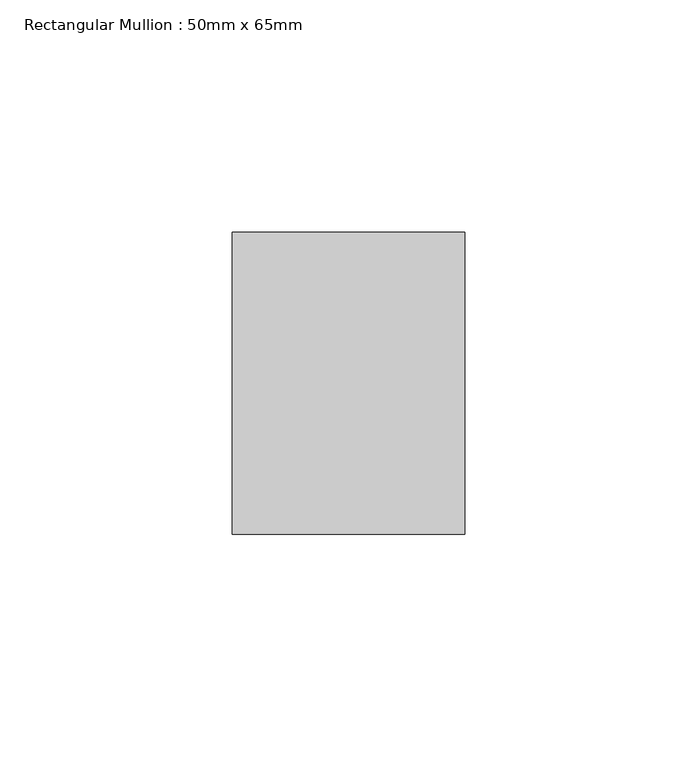
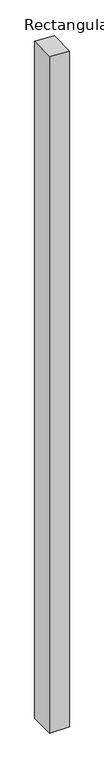
"""IFC4 building model written with IfcOpenShell, lengths in millimetres: member geometry, Rectangular Mullion : 50mm x 65mm."""

import ifcopenshell
import ifcopenshell.guid

model = None  # the IFC model being written
_history = None  # IfcOwnerHistory: only IFC2X3 demands one
_inside = {}  # id of a spatial element -> (the spatial element, [elements in it])
_under = {}  # id of a project, library or spatial element -> (it, [spatial elements below it])
_declared = {}  # id of a project -> (the project, [libraries it declares])
_typed = {}  # id of a type object -> (the type object, [elements of that type])
_made_of = {}  # id of a material, layer set ... -> (it, [elements and type objects made of it])


def new_model(schema):
    """Start an empty IFC model of exactly this schema.

    Asked for "IFC4X3", IfcOpenShell would pick the latest addendum, in which some entities
    have other attributes; the version numbers below select the first issue.
    IFC2X3 requires an IfcOwnerHistory on every rooted entity: one is made here for all.
    """
    global model, _history
    if schema == "IFC4X3":
        model = ifcopenshell.file(schema_version=(4, 3, 0, 0))
    else:
        model = ifcopenshell.file(schema=schema)
    _inside.clear()
    _under.clear()
    _declared.clear()
    _typed.clear()
    _made_of.clear()
    _history = None
    if model.schema == "IFC2X3":
        org = make("IfcOrganization", Name="unknown")
        user = make(
            "IfcPersonAndOrganization",
            ThePerson=make("IfcPerson", FamilyName="unknown"),
            TheOrganization=org,
        )
        app = make(
            "IfcApplication",
            ApplicationDeveloper=org,
            Version="unknown",
            ApplicationFullName="unknown",
            ApplicationIdentifier="unknown",
        )
        _history = make(
            "IfcOwnerHistory",
            OwningUser=user,
            OwningApplication=app,
            ChangeAction="ADDED",
            CreationDate=0,
        )
    return model


def make(cls, **values):
    """One entity of the class cls with the attributes given. An attribute that is None is left unset."""
    return model.create_entity(
        cls, **{name: value for name, value in values.items() if value is not None}
    )


def rooted(cls, **values):
    """An entity with a GlobalId (a new one), such as an element, a storey or a relation."""
    return make(cls, GlobalId=ifcopenshell.guid.new(), OwnerHistory=_history, **values)


def si_unit(unit_type, name, prefix=None):
    """IfcSIUnit, for example si_unit("LENGTHUNIT", "METRE", prefix="MILLI")."""
    return make("IfcSIUnit", UnitType=unit_type, Prefix=prefix, Name=name)


def assignment(units):
    """IfcUnitAssignment: the units of a project."""
    return None if units is None else make("IfcUnitAssignment", Units=units)


def point(xyz):
    """IfcCartesianPoint."""
    return None if xyz is None else make("IfcCartesianPoint", Coordinates=xyz)


def direction(xyz):
    """IfcDirection."""
    return None if xyz is None else make("IfcDirection", DirectionRatios=xyz)


def frame(location, z_axis=None, x_axis=None):
    """IfcAxis2Placement3D, a coordinate frame: its origin and axes. An axis left out is left unset."""
    return make(
        "IfcAxis2Placement3D",
        Location=point(location),
        Axis=direction(z_axis),
        RefDirection=direction(x_axis),
    )


def origin():
    """The frame at (0, 0, 0) with its axes left unset."""
    return frame((0.0, 0.0, 0.0))


def place(relative_to, where):
    """IfcLocalPlacement: puts the frame where relative to a parent placement (None: the world)."""
    return make(
        "IfcLocalPlacement", PlacementRelTo=relative_to, RelativePlacement=where
    )


def context(
    kind, dimensions, precision=None, world=None, true_north=None, identifier=None
):
    """IfcGeometricRepresentationContext, for example the 3D "Model" context."""
    return make(
        "IfcGeometricRepresentationContext",
        ContextIdentifier=identifier,
        ContextType=kind,
        CoordinateSpaceDimension=dimensions,
        Precision=precision,
        WorldCoordinateSystem=world,
        TrueNorth=true_north,
    )


def project(units=None, contexts=None):
    """IfcProject with its units and contexts."""
    return rooted(
        "IfcProject",
        Name="project",
        RepresentationContexts=contexts,
        UnitsInContext=assignment(units),
    )


def spatial(cls, under=None, at=None, **own):
    """A site, building, storey or space (cls), placed at a placement, below another one or the project."""
    s = rooted(cls, ObjectPlacement=at, **own)
    if under is not None:
        _under.setdefault(under.id(), (under, []))[1].append(s)
    return s


def faces_of(points, faces, orient=None, outer=None):
    """IfcFace entities. A face is a list of loops; a loop is a list of indices into points, from 0.

    orient and outer hold one flag for each loop. By default every Orientation is true, the
    first loop of a face is its IfcFaceOuterBound and the others are IfcFaceBound.
    """
    made = []
    for i, loops in enumerate(faces):
        bounds = []
        for j, loop in enumerate(loops):
            is_outer = j == 0 if outer is None else outer[i][j]
            bounds.append(
                make(
                    "IfcFaceOuterBound" if is_outer else "IfcFaceBound",
                    Bound=make("IfcPolyLoop", Polygon=[points[k] for k in loop]),
                    Orientation=True if orient is None else orient[i][j],
                )
            )
        made.append(make("IfcFace", Bounds=bounds))
    return made


def faceted_brep(points, faces, orient=None, outer=None, voids=None):
    """IfcFacetedBrep: a solid bounded by flat faces; with voids (closed shells), ...WithVoids."""
    shared = [point(p) for p in points]
    hull = make("IfcClosedShell", CfsFaces=faces_of(shared, faces, orient, outer))
    if voids is None:
        return make("IfcFacetedBrep", Outer=hull)
    return make(
        "IfcFacetedBrepWithVoids",
        Outer=hull,
        Voids=[
            make(cls, CfsFaces=faces_of(shared, fs, o, b)) for cls, fs, o, b in voids
        ],
    )


def shape(context_of_items, identifier, shape_type, items):
    """IfcShapeRepresentation: the items that make up one representation, for example the "Body"."""
    return make(
        "IfcShapeRepresentation",
        ContextOfItems=context_of_items,
        RepresentationIdentifier=identifier,
        RepresentationType=shape_type,
        Items=items,
    )


def source(mapping_origin, context_of_items, identifier, shape_type, items):
    """IfcRepresentationMap: a shape defined once, which mapped items show again and again."""
    return make(
        "IfcRepresentationMap",
        MappingOrigin=mapping_origin,
        MappedRepresentation=shape(context_of_items, identifier, shape_type, items),
    )


def transform(
    local_origin,
    x_axis=None,
    y_axis=None,
    z_axis=None,
    scale=None,
    scale2=None,
    scale3=None,
    uniform=True,
):
    """IfcCartesianTransformationOperator3D, or its non-uniform kind. x_axis, y_axis, z_axis: its Axis1, 2, 3."""
    if uniform:
        return make(
            "IfcCartesianTransformationOperator3D",
            Axis1=direction(x_axis),
            Axis2=direction(y_axis),
            LocalOrigin=point(local_origin),
            Scale=scale,
            Axis3=direction(z_axis),
        )
    return make(
        "IfcCartesianTransformationOperator3DnonUniform",
        Axis1=direction(x_axis),
        Axis2=direction(y_axis),
        LocalOrigin=point(local_origin),
        Scale=scale,
        Axis3=direction(z_axis),
        Scale2=scale2,
        Scale3=scale3,
    )


def mapped(mapping_source, mapping_target):
    """IfcMappedItem: shows the shape of a source again, moved by a transform."""
    return make(
        "IfcMappedItem", MappingSource=mapping_source, MappingTarget=mapping_target
    )


def made_of(thing, what):
    """Note that an element or type object is made of a material, layer set ...; save() writes the relation."""
    if what is not None:
        _made_of.setdefault(what.id(), (what, []))[1].append(thing)
    return thing


def element(
    cls,
    number,
    at=None,
    inside=None,
    cuts=None,
    type_object=None,
    material=None,
    context=None,
    identifier="Body",
    shape_type=None,
    held_by="IfcProductDefinitionShape",
    body=None,
    shapes=None,
    **own,
):
    """One element of the class cls, such as IfcWall. Its Tag is "e" and its number.

    at: its placement. inside: the storey or other place that contains it. cuts: it is an
    opening in that element (IfcRelVoidsElement). A single representation is given by context,
    identifier, shape_type and body (its items); several are given by shapes. held_by: the class
    of the entity that holds the representations. save() writes the other relations.
    """
    e = rooted(cls, Tag="e%d" % number, ObjectPlacement=at, **own)
    if body is not None:
        shapes = [shape(context, identifier, shape_type, body)]
    if shapes is not None:
        e.Representation = make(held_by, Representations=shapes)
    if inside is not None:
        _inside.setdefault(inside.id(), (inside, []))[1].append(e)
    if cuts is not None:
        rooted(
            "IfcRelVoidsElement", RelatingBuildingElement=cuts, RelatedOpeningElement=e
        )
    if type_object is not None:
        _typed.setdefault(type_object.id(), (type_object, []))[1].append(e)
    return made_of(e, material)


def aggregate(whole, parts):
    """IfcRelAggregates: a whole, such as a stair, and the parts it consists of."""
    return rooted("IfcRelAggregates", RelatingObject=whole, RelatedObjects=parts)


def save(model, path):
    """Write the relations noted so far, then the file.

    IfcRelAggregates (storeys below a building ...), IfcRelContainedInSpatialStructure (elements
    in a storey), IfcRelDefinesByType, IfcRelAssociatesMaterial and IfcRelDeclares: one each for
    every whole, place, type object, material and project.
    """
    for whole, parts in _under.values():
        aggregate(whole, parts)
    for where, things in _inside.values():
        rooted(
            "IfcRelContainedInSpatialStructure",
            RelatedElements=things,
            RelatingStructure=where,
        )
    for kind, things in _typed.values():
        rooted("IfcRelDefinesByType", RelatedObjects=things, RelatingType=kind)
    for what, things in _made_of.values():
        rooted("IfcRelAssociatesMaterial", RelatedObjects=things, RelatingMaterial=what)
    for by, libraries in _declared.values():
        rooted("IfcRelDeclares", RelatingContext=by, RelatedDefinitions=libraries)
    model.write(path)


def rectangular_mullion_50mm_x_65mm_cfb3a02a(model_context):
    return source(origin(), model_context, "Body", "Brep", [
        faceted_brep([(25.0, 32.5, -1806.2448563), (25.0, -32.5, -1806.2448563), (-25.0, -32.5, -1806.2448563), (-25.0, 32.5, -1806.2448563), (-25.0, 32.5, 2.1374852), (25.0, 32.5, -0.1286915), (-25.0, -32.5, 0.1286915), (25.0, -32.5, -2.1374852)], [[[0, 1, 2, 3]], [[4, 5, 0, 3]], [[6, 4, 3, 2]], [[7, 6, 2, 1]], [[5, 7, 1, 0]], [[5, 4, 6, 7]]]),
    ])


if __name__ == "__main__":
    model = new_model("IFC4")
    model_context = context("Model", 3, world=origin())
    ifc_project = project(units=[si_unit("LENGTHUNIT", "METRE", prefix="MILLI")], contexts=[model_context])
    site = spatial("IfcSite", under=ifc_project)
    building = spatial("IfcBuilding", under=site)
    placement = place(None, origin())
    rectangular_mullion_50mm_x_65mm_shape = rectangular_mullion_50mm_x_65mm_cfb3a02a(model_context)
    element("IfcMember", 1, ObjectType="Rectangular Mullion : 50mm x 65mm", at=placement, inside=building, context=model_context, shape_type="MappedRepresentation", body=[
        mapped(rectangular_mullion_50mm_x_65mm_shape, transform((0.0, 0.0, 0.0), x_axis=(1.0, 0.0, 0.0), y_axis=(0.0, 1.0, 0.0), z_axis=(0.0, 0.0, 1.0))),
    ])
    save(model, "model.ifc")
